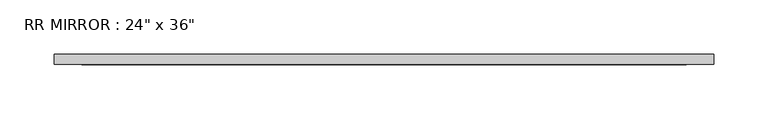
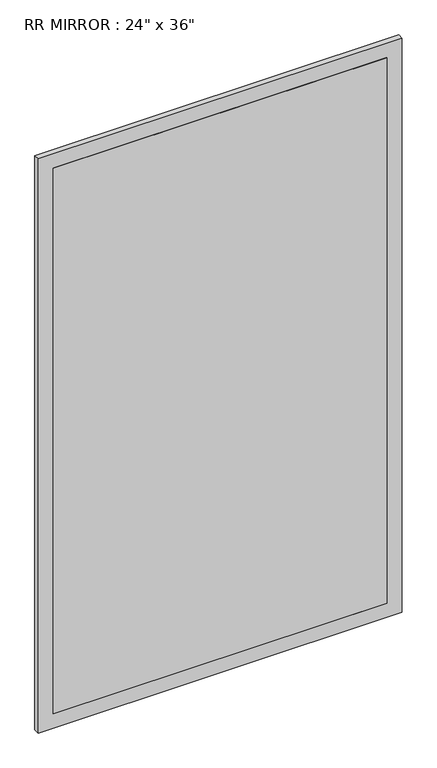
"""IFC4 building model written with IfcOpenShell, lengths in millimetres: proxy geometry."""

from ifc_helpers import new_model, si_unit, frame, origin, place, context, project, spatial, polyline, outline, extrude, source, transform, mapped, element, save


def proxy_a60cca16(model_context):
    return source(origin(), model_context, "Body", "SweptSolid", [
        extrude(outline(polyline([(279.4, 61.9125), (-279.4, 61.9125), (-279.4, 68.2625), (279.4, 68.2625), (279.4, 61.9125)])), frame((0.0, 0.0, 838.2), z_axis=(0.0, 0.0, 1.0), x_axis=(1.0, 0.0, 0.0)), (0.0, 0.0, 1.0), 965.2),
        extrude(outline(polyline([(1828.8, -304.8), (812.8, -304.8), (812.8, 304.8), (1828.8, 304.8), (1828.8, -304.8)]), holes=[polyline([(1803.4, -279.4), (1803.4, 279.4), (838.2, 279.4), (838.2, -279.4), (1803.4, -279.4)])]), frame((0.0, 61.9125, 0.0), z_axis=(0.0, 1.0, 0.0), x_axis=(0.0, 0.0, 1.0)), (0.0, 0.0, 1.0), 9.525),
    ])


if __name__ == "__main__":
    model = new_model("IFC4")
    model_context = context("Model", 3, world=origin())
    ifc_project = project(units=[si_unit("LENGTHUNIT", "METRE", prefix="MILLI")], contexts=[model_context])
    site = spatial("IfcSite", under=ifc_project)
    building = spatial("IfcBuilding", under=site)
    placement = place(None, origin())
    proxy_shape = proxy_a60cca16(model_context)
    element("IfcBuildingElementProxy", 1, Name="RR MIRROR : 24\" x 36\"", ObjectType="RR MIRROR : 24\" x 36\"", at=placement, inside=building, context=model_context, shape_type="MappedRepresentation", body=[
        mapped(proxy_shape, transform((0.0, 0.0, 0.0), x_axis=(1.0, 0.0, 0.0), y_axis=(0.0, 1.0, 0.0), z_axis=(0.0, 0.0, 1.0))),
    ])
    save(model, "model.ifc")
